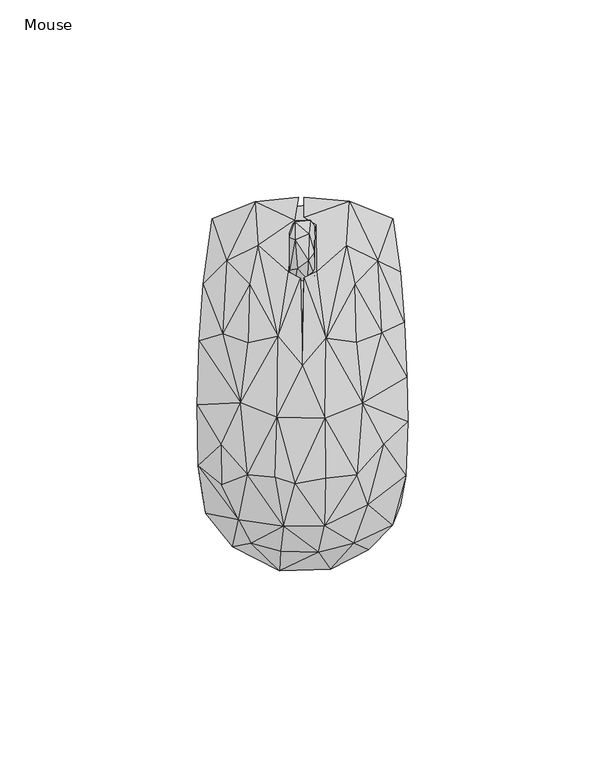
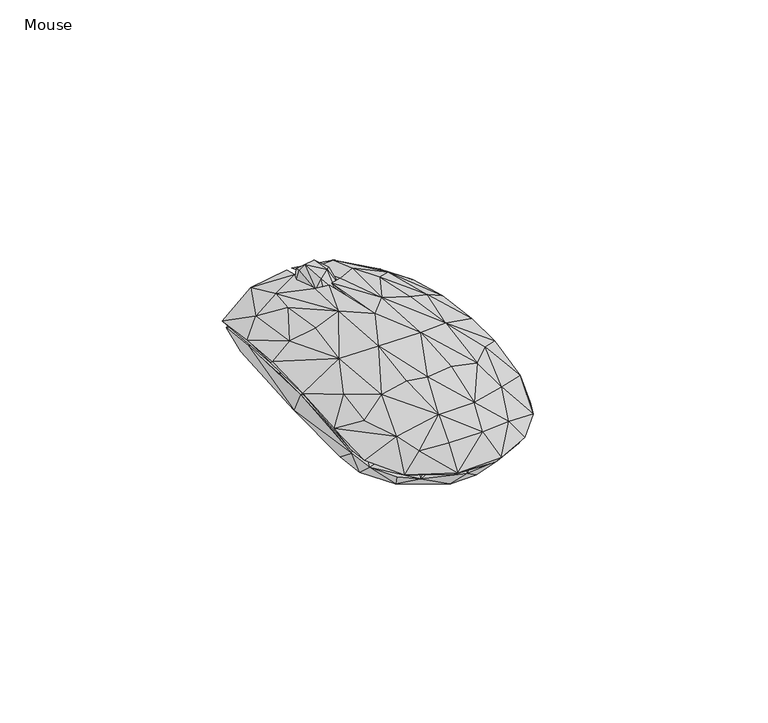
"""IFC4 building model written with IfcOpenShell, lengths in millimetres: furniture geometry, Mouse."""

from ifc_helpers import new_model, si_unit, origin, place, context, project, spatial, triangles, source, transform, mapped, element, save


def mouse_1d61391d(model_context):
    return source(origin(), model_context, "Body", "Tessellation", [
        triangles([(-1.7870649, 25.5556985, 15.0905907), (1.4279053, 26.2556989, 17.1901639), (-1.2795804, 29.2699885, 20.2893071), (-3.1870656, 28.7699872, 18.0897343), (2.0353879, 41.5199947, 14.9905912), (-1.7870676, 41.1199964, 16.5901631), (1.7353883, 38.1057091, 19.6893074), (3.1353901, 27.4628427, 17.4901638), (1.5279044, 31.2771266, 21.0893059), (3.1353893, 33.2842761, 20.0893079), (-3.187067, 37.2057073, 18.8897343), (-1.8870667, 36.5985587, 20.4893062), (1.5279047, 29.1699855, 6.1931613), (3.2353894, 31.9842782, 6.2931615), (3.0353903, 27.1628428, 9.1923049), (-1.687065, 26.455698, 8.992304), (-1.6870659, 31.4771303, 5.2931618), (-0.0795814, 35.0985594, 5.0931615), (-3.087066, 33.6914164, 6.1931613), (2.2353884, 37.705704, 6.3931616), (3.235388, 39.919997, 12.4914477), (-3.187065, 26.8556986, 10.3918768), (-3.0870671, 40.0199955, 11.4914475), (-1.6870671, 39.21285, 7.4927334), (1.9353877, 41.1199964, 10.091877), (-1.5870676, 41.4199963, 11.7914485), (2.0353906, 25.4556978, 12.9914479)], [[1, 2, 3], [1, 3, 4], [5, 6, 7], [2, 8, 9], [2, 9, 3], [8, 10, 9], [6, 11, 12], [6, 12, 7], [4, 12, 11], [4, 3, 12], [3, 9, 12], [9, 7, 12], [9, 10, 7], [13, 14, 15], [13, 16, 17], [13, 17, 18], [13, 18, 14], [13, 15, 16], [17, 19, 18], [17, 16, 19], [14, 18, 20], [14, 20, 21], [14, 21, 10], [14, 10, 15], [19, 16, 22], [19, 23, 24], [19, 24, 18], [19, 22, 4], [19, 4, 23], [18, 24, 20], [20, 25, 21], [20, 24, 25], [24, 23, 26], [24, 26, 25], [16, 15, 27], [16, 27, 1], [16, 1, 22], [15, 8, 27], [15, 10, 8], [22, 1, 4], [25, 26, 5], [25, 5, 21], [27, 8, 2], [27, 2, 1], [23, 4, 11], [23, 11, 6], [23, 6, 26], [26, 6, 5], [21, 5, 7], [21, 7, 10]]),
        triangles([(-11.1957908, 35.1929554, 15.7576683), (-6.1527727, 12.0434861, 22.6493329), (-3.6527754, 28.4764686, 18.7493336), (-2.0097646, 41.5259446, 14.4576693), (11.176263, 35.1929622, 15.7576683), (3.6332491, 40.4094521, 14.55767), (3.7332512, 28.5764716, 19.3493345), (6.0332544, 11.6269974, 22.7493336), (-4.7527639, -36.0049335, 19.4493352), (5.6332624, -35.9049328, 19.3493345), (-1.8097528, -25.2719494, 23.3493333), (-6.9527665, -23.671954, 22.949335), (-13.8957804, -22.9554597, 20.8493338), (5.8332604, -23.8719486, 23.0493335), (13.8762731, -22.9554575, 20.8493338), (-6.352769, -8.4224783, 24.3493336), (5.7332574, -8.6224757, 24.4493343), (3.5332606, -25.7719507, 21.6493349), (-5.7527665, -23.455461, 21.849334), (4.633259, -15.1389674, 23.0493335), (13.7762723, -22.6554576, 19.6493343), (-15.6387983, -4.7059889, 21.5493319), (-13.7957797, -22.6554599, 19.6493343), (-6.0527692, -8.3224781, 23.1493342), (-13.8957827, -5.705988, 21.0493329), (13.8762708, -5.6059833, 21.0493329), (15.2192825, -4.9059829, 21.7493333), (-0.1097584, 6.1269965, 22.7493336), (6.0332561, -1.3059846, 23.0493335), (0.090242, 4.6105053, 24.1493345), (-6.1527722, 11.5269956, 21.4493335), (-13.7957854, 10.4269935, 21.0493329), (-15.0387998, 9.6269935, 19.3493345), (5.9332532, 16.0434895, 20.7493353), (15.5192789, 11.1269996, 18.9493339), (13.7762667, 10.5269987, 21.0493329), (0.3902381, 26.8764709, 19.9493342), (-0.4097619, 26.7764702, 19.6493343), (-6.1527625, -46.2214247, 7.5660052), (-17.7387894, -41.304937, 8.5660049), (-10.6957759, -40.1049376, 13.066005), (0.1902501, -42.7214249, 13.3576705), (5.4332638, -46.4214216, 7.4660045), (-5.7527625, -47.3214257, 8.5660049), (7.1332645, -46.9214229, 8.5660049), (4.1332637, -42.6214219, 14.9576694), (-5.5527634, -42.421425, 14.8576698), (-12.9957763, -40.3049345, 13.6576693), (12.8762762, -39.5049288, 12.5660049), (16.8192893, -42.0214176, 8.4660053), (5.7332631, -41.104931, 14.257669), (13.0762776, -40.3049299, 13.6576693), (15.9192863, -33.78844, 14.6576695), (24.8623019, -30.6884384, 9.4660045), (22.8623014, -35.8049321, 9.7660055), (-16.1387917, -34.3884442, 15.6576687), (-24.4818042, -32.7884442, 10.2660056), (-25.381806, -27.2719545, 10.5660043), (-15.8387929, -33.7884468, 14.55767), (-5.5527645, -35.3884399, 18.1576682), (4.7332623, -35.3884399, 18.2576701), (16.6192856, -30.5884377, 17.1576702), (26.2623005, -23.2554573, 12.8660047), (-26.3818063, -20.7554623, 13.4576701), (20.1192843, -25.6719477, 15.5576691), (-26.6818107, -5.3059909, 14.9576694), (-20.4387938, -23.3554626, 15.8576701), (26.5622958, 1.7105099, 15.0576701), (26.7622972, -9.622472, 15.0576701), (20.4192819, -14.4389647, 17.5576697), (20.7192817, -15.2389647, 18.6576695), (-25.1818159, 25.2764663, 12.266005), (-26.181814, 11.026992, 14.6576695), (-20.2387992, 12.7434843, 17.8576684), (-19.2388034, 31.1929566, 14.0576698), (-22.8818201, 41.8259399, 7.3660049), (-25.7818111, 12.7434831, 13.1576691), (24.8622906, 28.4764731, 11.466005), (25.9622961, 15.6434901, 13.9576703), (22.9622885, 41.8259444, 7.3660049), (19.2192756, 31.1929634, 14.0576698), (20.619281, -1.5059822, 17.8576684), (19.0192754, 30.1929654, 13.0576695), (-11.9957919, 46.2259393, 11.166004), (-15.7388036, 44.2259388, 9.2660047), (-19.538801, 22.3599747, 14.9576694), (-1.0097655, 47.3259449, 11.9660052), (-11.2957904, 34.7929549, 14.55767), (-13.1957879, 24.876468, 16.95767), (0.4902344, 47.3259449, 12.0660047), (0.4902352, 42.3259457, 14.1576694), (11.9762619, 46.3259468, 11.166004), (11.5762613, 45.5259457, 10.2660056), (11.3762621, 34.7929639, 14.55767), (-20.4387938, -25.5719538, 16.7576685), (-20.6387952, -15.4389718, 18.6576695), (-20.7818097, -6.8224805, 17.8576684), (20.2192805, 13.0434909, 17.8576684), (-13.3957893, 25.2764663, 18.1576682), (13.376265, 25.2764709, 18.1576682), (0.8902379, 26.476468, 18.7576691), (13.2762654, 24.8764726, 16.95767), (-3.7388536, -39.9733413, 0.003408), (3.9916322, -39.7733399, 0.003408), (-2.1388526, -45.7733416, 6.3030804), (-13.6998258, -42.3733493, 6.6030796), (-15.5998268, -33.0558856, 0.003408), (15.6526022, -33.0558788, 0.003408), (7.0221198, -44.973345, 6.4030799), (-20.9303154, -24.0209652, 0.003408), (20.8830867, -24.1209591, 0.003408), (-23.2303135, -33.0558856, 7.8030802), (-18.7998245, -38.9558843, 6.9030801), (15.6526045, -41.2733346, 6.7030804), (23.5830899, -32.5384186, 7.9030804), (-21.9303156, -15.9035067, 0.203408), (-21.6303203, 7.6663352, 0.003408), (-25.1303134, -27.4384256, 9.3030801), (21.9830877, -20.2209587, 0.603408), (21.4830819, 9.3663427, 0.003408), (25.4830875, -24.6209604, 10.1030806), (-26.1303182, -3.3685873, 13.102751), (-24.3303213, 26.218719, 9.8030796), (-20.3303247, 36.9361743, 0.003408), (7.2221047, 38.3361774, 0.003408), (20.3830786, 36.9361834, 0.003408), (22.2830762, 40.8536428, 5.6034081), (24.2830767, 27.218726, 9.6030794), (25.4830807, 12.366343, 12.1027519), (-22.2303269, 40.9536367, 5.6034081), (-5.5388669, 38.4361759, 0.003408), (-10.5693551, 44.8536394, 9.2030799), (7.0221039, 45.4536391, 9.8030796), (17.1525902, 43.1536432, 7.6030799), (-18.6998374, 30.1187194, 11.9027516), (18.7525913, 30.1187262, 11.9027516), (-3.2388532, -41.9733419, 11.7027513), (-5.8388543, -37.3558844, 15.4027515), (-13.0693399, -35.3558883, 13.9027522), (5.2916329, -41.5733436, 11.802752), (19.1526032, -33.6558785, 10.9030795), (13.0526042, -35.3558815, 13.9027522), (-20.3303157, -22.8209658, 14.6027515), (19.9830871, -22.220957, 15.002752), (-26.0303175, -14.8035068, 12.3027522), (26.083085, -11.9860371, 12.602752), (-25.7303222, 8.2663338, 12.602752), (-19.7303205, 12.6663349, 15.6027517), (-8.8693527, 36.2361784, 13.2027506), (0.8916195, 34.5361755, 14.9027513), (12.8221064, 29.7187233, 14.3027516), (6.2916201, 33.1361769, 14.9027513), (1.6916317, -35.7558844, 17.0024244), (6.7221176, -33.7558838, 17.2024236), (-6.2388554, -29.2384224, 19.002425), (-13.4998278, -26.2209649, 17.6024253), (13.5526021, -26.2209604, 17.6024253), (-20.2303172, -9.8860449, 16.80275), (-13.6998303, -14.3035044, 19.6024259), (20.5830868, -5.768579, 16.7027527), (13.7526001, -14.3034988, 19.6024259), (-16.1998333, -0.8685855, 18.6024256), (19.8830819, 9.5663424, 16.0027523), (13.7525978, -2.1685804, 19.802425), (-13.0693512, 24.6012577, 15.802752), (-13.4998346, 10.1663353, 18.6024256), (13.5525964, 10.166341, 18.6024256), (-6.1388649, 24.3012579, 17.5024257), (6.7221091, 16.3837985, 19.3024237), (1.6916228, 15.1837968, 20.0024242), (1.6916297, -24.6209626, 20.802423), (6.9221156, -22.9209597, 20.5024232), (-6.2388571, -17.603504, 21.402425), (6.4916277, -12.0860401, 21.8024256), (1.1916271, -8.8860412, 22.4024253), (-6.0388597, -5.4685837, 22.0024247), (6.9221117, -0.6685813, 21.5024234), (1.6916248, 4.2488802, 21.7024226), (-6.1388621, 7.666338, 20.802423)], [[1, 2, 3], [1, 3, 4], [5, 6, 7], [5, 7, 8], [9, 10, 11], [9, 12, 13], [9, 11, 12], [10, 14, 11], [10, 15, 14], [12, 11, 16], [12, 16, 13], [11, 14, 17], [11, 17, 16], [18, 19, 20], [18, 20, 21], [14, 15, 17], [13, 16, 22], [23, 24, 19], [23, 25, 24], [19, 24, 20], [21, 20, 26], [15, 27, 17], [20, 24, 28], [20, 29, 26], [20, 28, 29], [16, 17, 30], [16, 30, 2], [16, 2, 22], [24, 25, 31], [24, 31, 28], [17, 27, 8], [17, 8, 30], [22, 2, 32], [25, 33, 31], [29, 28, 34], [29, 35, 26], [29, 34, 35], [27, 36, 8], [30, 8, 37], [30, 38, 2], [30, 28, 38], [30, 37, 28], [31, 3, 38], [31, 38, 28], [8, 7, 37], [2, 38, 3], [39, 40, 41], [39, 41, 42], [39, 42, 43], [39, 44, 40], [39, 43, 44], [44, 45, 46], [44, 47, 48], [44, 46, 47], [44, 48, 40], [44, 43, 45], [43, 49, 50], [43, 42, 51], [43, 51, 49], [43, 50, 45], [45, 50, 52], [45, 52, 46], [50, 49, 53], [50, 53, 54], [50, 54, 55], [50, 55, 52], [40, 48, 56], [40, 56, 57], [40, 58, 59], [40, 59, 41], [40, 57, 58], [41, 59, 60], [41, 60, 42], [49, 51, 61], [49, 61, 53], [55, 62, 52], [55, 63, 62], [55, 54, 63], [57, 56, 64], [57, 64, 58], [54, 53, 65], [54, 65, 63], [58, 64, 66], [58, 67, 59], [58, 66, 67], [63, 68, 69], [63, 65, 70], [63, 70, 68], [63, 71, 62], [63, 69, 71], [72, 73, 74], [72, 74, 75], [72, 75, 76], [72, 76, 77], [72, 77, 73], [78, 79, 68], [78, 80, 81], [78, 81, 79], [78, 82, 35], [78, 68, 82], [78, 83, 80], [78, 35, 83], [76, 84, 85], [76, 75, 84], [76, 85, 86], [76, 86, 77], [85, 84, 87], [85, 87, 88], [85, 89, 86], [85, 88, 89], [84, 75, 1], [84, 1, 4], [84, 4, 87], [87, 4, 88], [90, 91, 92], [90, 93, 91], [90, 92, 93], [93, 80, 83], [93, 94, 6], [93, 83, 94], [93, 6, 91], [93, 92, 80], [92, 5, 81], [92, 81, 80], [92, 6, 5], [92, 91, 6], [47, 9, 48], [47, 46, 9], [42, 60, 61], [42, 61, 51], [46, 52, 10], [46, 10, 9], [48, 9, 56], [52, 62, 10], [56, 9, 13], [56, 13, 95], [56, 95, 64], [59, 67, 23], [59, 23, 60], [60, 18, 61], [60, 23, 19], [60, 19, 18], [61, 18, 21], [61, 21, 53], [53, 21, 65], [62, 71, 15], [62, 15, 10], [95, 96, 64], [95, 13, 96], [65, 21, 70], [64, 96, 66], [67, 97, 23], [67, 66, 97], [96, 13, 22], [96, 22, 66], [70, 82, 68], [70, 21, 26], [70, 26, 82], [71, 69, 27], [71, 27, 15], [97, 66, 77], [97, 77, 33], [97, 25, 23], [97, 33, 25], [69, 68, 27], [66, 73, 77], [66, 22, 73], [82, 26, 35], [68, 98, 27], [68, 79, 98], [73, 22, 74], [77, 86, 33], [74, 99, 75], [74, 22, 32], [74, 32, 99], [98, 79, 81], [98, 100, 36], [98, 81, 100], [98, 36, 27], [86, 89, 33], [99, 1, 75], [99, 32, 2], [99, 2, 1], [89, 88, 31], [89, 31, 33], [101, 37, 7], [101, 94, 34], [101, 6, 94], [101, 34, 28], [101, 28, 37], [101, 7, 6], [102, 94, 83], [102, 83, 35], [102, 35, 34], [102, 34, 94], [100, 5, 8], [100, 81, 5], [100, 8, 36], [88, 4, 3], [88, 3, 31], [103, 104, 105], [103, 105, 106], [103, 107, 104], [103, 106, 107], [104, 107, 108], [104, 109, 105], [104, 108, 109], [107, 110, 111], [107, 111, 108], [107, 112, 110], [107, 113, 112], [107, 106, 113], [108, 114, 109], [108, 111, 115], [108, 115, 114], [110, 116, 117], [110, 117, 111], [110, 112, 118], [110, 118, 116], [111, 119, 115], [111, 117, 120], [111, 120, 119], [119, 120, 121], [119, 121, 115], [116, 118, 117], [117, 118, 122], [117, 123, 124], [117, 122, 123], [117, 124, 120], [120, 124, 125], [120, 125, 126], [120, 126, 127], [120, 127, 128], [120, 128, 129], [120, 129, 121], [124, 130, 131], [124, 131, 125], [124, 123, 130], [131, 130, 132], [131, 132, 125], [125, 132, 133], [125, 133, 134], [125, 134, 126], [126, 134, 127], [130, 123, 135], [130, 135, 132], [127, 134, 136], [127, 136, 128], [106, 137, 138], [106, 112, 113], [106, 105, 137], [106, 139, 112], [106, 138, 139], [105, 109, 140], [105, 140, 137], [109, 114, 140], [114, 141, 142], [114, 115, 141], [114, 142, 140], [112, 139, 143], [112, 143, 118], [141, 115, 121], [141, 121, 144], [141, 144, 142], [118, 145, 122], [118, 143, 145], [121, 129, 146], [121, 146, 144], [123, 147, 148], [123, 148, 135], [123, 122, 147], [128, 136, 129], [132, 135, 149], [132, 149, 150], [132, 150, 133], [133, 151, 134], [133, 150, 152], [133, 152, 151], [134, 151, 136], [137, 140, 153], [137, 153, 138], [140, 142, 154], [140, 154, 153], [139, 138, 155], [139, 155, 156], [139, 156, 143], [138, 153, 155], [142, 144, 157], [142, 157, 154], [143, 158, 145], [143, 156, 159], [143, 159, 158], [144, 146, 160], [144, 160, 161], [144, 161, 157], [145, 158, 122], [158, 159, 162], [158, 162, 122], [146, 129, 160], [122, 162, 147], [160, 163, 164], [160, 129, 163], [160, 164, 161], [147, 162, 148], [148, 165, 135], [148, 162, 166], [148, 166, 165], [163, 129, 136], [163, 151, 167], [163, 136, 151], [163, 167, 164], [165, 149, 135], [165, 166, 168], [165, 168, 149], [151, 152, 169], [151, 169, 167], [149, 168, 150], [150, 170, 152], [150, 168, 170], [152, 170, 169], [153, 154, 171], [153, 171, 155], [154, 172, 171], [154, 157, 172], [155, 171, 173], [155, 173, 156], [156, 173, 159], [171, 172, 174], [171, 175, 173], [171, 174, 175], [172, 157, 161], [172, 161, 174], [159, 173, 176], [159, 176, 162], [173, 175, 176], [161, 177, 174], [161, 164, 177], [175, 174, 177], [175, 177, 178], [175, 178, 176], [162, 176, 179], [162, 179, 166], [176, 178, 179], [177, 164, 167], [177, 167, 169], [177, 170, 178], [177, 169, 170], [178, 170, 179], [166, 179, 168], [179, 170, 168]]),
    ])


if __name__ == "__main__":
    model = new_model("IFC4")
    model_context = context("Model", 3, world=origin())
    ifc_project = project(units=[si_unit("LENGTHUNIT", "METRE", prefix="MILLI")], contexts=[model_context])
    site = spatial("IfcSite", under=ifc_project)
    building = spatial("IfcBuilding", under=site)
    placement = place(None, origin())
    mouse_shape = mouse_1d61391d(model_context)
    element("IfcFurniture", 1, ObjectType="Mouse", at=placement, inside=building, context=model_context, shape_type="MappedRepresentation", body=[
        mapped(mouse_shape, transform((0.0, 0.0, 0.0), x_axis=(1.0, 0.0, 0.0), y_axis=(0.0, 1.0, 0.0), z_axis=(0.0, 0.0, 1.0))),
    ])
    save(model, "model.ifc")
